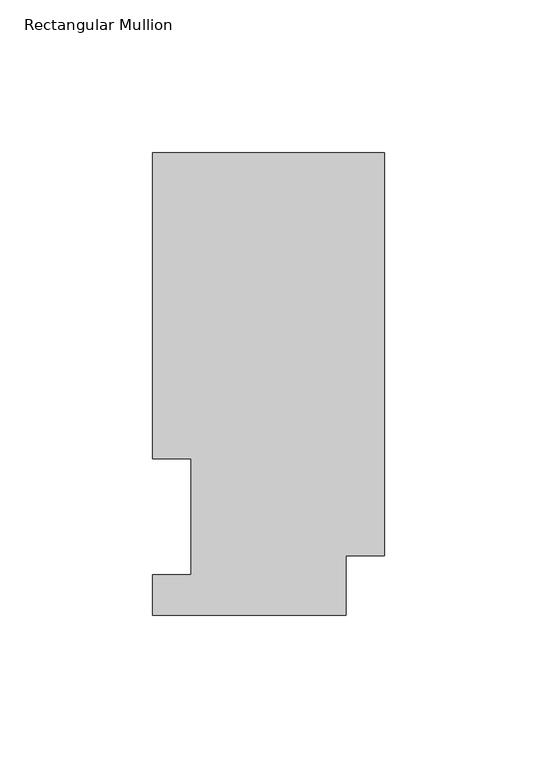
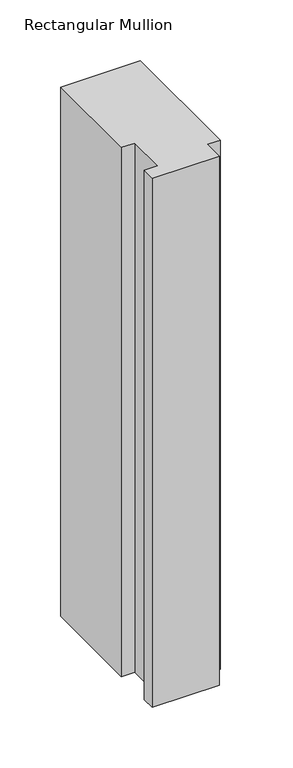
"""IFC4 building model written with IfcOpenShell, lengths in millimetres: member geometry, Rectangular Mullion."""

import ifcopenshell
import ifcopenshell.guid

model = None  # the IFC model being written
_history = None  # IfcOwnerHistory: only IFC2X3 demands one
_inside = {}  # id of a spatial element -> (the spatial element, [elements in it])
_under = {}  # id of a project, library or spatial element -> (it, [spatial elements below it])
_declared = {}  # id of a project -> (the project, [libraries it declares])
_typed = {}  # id of a type object -> (the type object, [elements of that type])
_made_of = {}  # id of a material, layer set ... -> (it, [elements and type objects made of it])


def new_model(schema):
    """Start an empty IFC model of exactly this schema.

    Asked for "IFC4X3", IfcOpenShell would pick the latest addendum, in which some entities
    have other attributes; the version numbers below select the first issue.
    IFC2X3 requires an IfcOwnerHistory on every rooted entity: one is made here for all.
    """
    global model, _history
    if schema == "IFC4X3":
        model = ifcopenshell.file(schema_version=(4, 3, 0, 0))
    else:
        model = ifcopenshell.file(schema=schema)
    _inside.clear()
    _under.clear()
    _declared.clear()
    _typed.clear()
    _made_of.clear()
    _history = None
    if model.schema == "IFC2X3":
        org = make("IfcOrganization", Name="unknown")
        user = make(
            "IfcPersonAndOrganization",
            ThePerson=make("IfcPerson", FamilyName="unknown"),
            TheOrganization=org,
        )
        app = make(
            "IfcApplication",
            ApplicationDeveloper=org,
            Version="unknown",
            ApplicationFullName="unknown",
            ApplicationIdentifier="unknown",
        )
        _history = make(
            "IfcOwnerHistory",
            OwningUser=user,
            OwningApplication=app,
            ChangeAction="ADDED",
            CreationDate=0,
        )
    return model


def make(cls, **values):
    """One entity of the class cls with the attributes given. An attribute that is None is left unset."""
    return model.create_entity(
        cls, **{name: value for name, value in values.items() if value is not None}
    )


def rooted(cls, **values):
    """An entity with a GlobalId (a new one), such as an element, a storey or a relation."""
    return make(cls, GlobalId=ifcopenshell.guid.new(), OwnerHistory=_history, **values)


def si_unit(unit_type, name, prefix=None):
    """IfcSIUnit, for example si_unit("LENGTHUNIT", "METRE", prefix="MILLI")."""
    return make("IfcSIUnit", UnitType=unit_type, Prefix=prefix, Name=name)


def assignment(units):
    """IfcUnitAssignment: the units of a project."""
    return None if units is None else make("IfcUnitAssignment", Units=units)


def point(xyz):
    """IfcCartesianPoint."""
    return None if xyz is None else make("IfcCartesianPoint", Coordinates=xyz)


def direction(xyz):
    """IfcDirection."""
    return None if xyz is None else make("IfcDirection", DirectionRatios=xyz)


def frame(location, z_axis=None, x_axis=None):
    """IfcAxis2Placement3D, a coordinate frame: its origin and axes. An axis left out is left unset."""
    return make(
        "IfcAxis2Placement3D",
        Location=point(location),
        Axis=direction(z_axis),
        RefDirection=direction(x_axis),
    )


def origin():
    """The frame at (0, 0, 0) with its axes left unset."""
    return frame((0.0, 0.0, 0.0))


def place(relative_to, where):
    """IfcLocalPlacement: puts the frame where relative to a parent placement (None: the world)."""
    return make(
        "IfcLocalPlacement", PlacementRelTo=relative_to, RelativePlacement=where
    )


def context(
    kind, dimensions, precision=None, world=None, true_north=None, identifier=None
):
    """IfcGeometricRepresentationContext, for example the 3D "Model" context."""
    return make(
        "IfcGeometricRepresentationContext",
        ContextIdentifier=identifier,
        ContextType=kind,
        CoordinateSpaceDimension=dimensions,
        Precision=precision,
        WorldCoordinateSystem=world,
        TrueNorth=true_north,
    )


def project(units=None, contexts=None):
    """IfcProject with its units and contexts."""
    return rooted(
        "IfcProject",
        Name="project",
        RepresentationContexts=contexts,
        UnitsInContext=assignment(units),
    )


def spatial(cls, under=None, at=None, **own):
    """A site, building, storey or space (cls), placed at a placement, below another one or the project."""
    s = rooted(cls, ObjectPlacement=at, **own)
    if under is not None:
        _under.setdefault(under.id(), (under, []))[1].append(s)
    return s


def polyline(points):
    """IfcPolyline through the points."""
    return make("IfcPolyline", Points=[point(p) for p in points])


def outline(outer, holes=None, kind="AREA"):
    """IfcArbitraryClosedProfileDef: a profile drawn as a closed curve; with holes, ...WithVoids."""
    if holes is None:
        return make("IfcArbitraryClosedProfileDef", ProfileType=kind, OuterCurve=outer)
    return make(
        "IfcArbitraryProfileDefWithVoids",
        ProfileType=kind,
        OuterCurve=outer,
        InnerCurves=holes,
    )


def extrude(swept, where, along, depth):
    """IfcExtrudedAreaSolid: the profile swept, set in the frame where, extruded along a direction by depth."""
    return make(
        "IfcExtrudedAreaSolid",
        SweptArea=swept,
        Position=where,
        ExtrudedDirection=direction(along),
        Depth=depth,
    )


def shape(context_of_items, identifier, shape_type, items):
    """IfcShapeRepresentation: the items that make up one representation, for example the "Body"."""
    return make(
        "IfcShapeRepresentation",
        ContextOfItems=context_of_items,
        RepresentationIdentifier=identifier,
        RepresentationType=shape_type,
        Items=items,
    )


def source(mapping_origin, context_of_items, identifier, shape_type, items):
    """IfcRepresentationMap: a shape defined once, which mapped items show again and again."""
    return make(
        "IfcRepresentationMap",
        MappingOrigin=mapping_origin,
        MappedRepresentation=shape(context_of_items, identifier, shape_type, items),
    )


def transform(
    local_origin,
    x_axis=None,
    y_axis=None,
    z_axis=None,
    scale=None,
    scale2=None,
    scale3=None,
    uniform=True,
):
    """IfcCartesianTransformationOperator3D, or its non-uniform kind. x_axis, y_axis, z_axis: its Axis1, 2, 3."""
    if uniform:
        return make(
            "IfcCartesianTransformationOperator3D",
            Axis1=direction(x_axis),
            Axis2=direction(y_axis),
            LocalOrigin=point(local_origin),
            Scale=scale,
            Axis3=direction(z_axis),
        )
    return make(
        "IfcCartesianTransformationOperator3DnonUniform",
        Axis1=direction(x_axis),
        Axis2=direction(y_axis),
        LocalOrigin=point(local_origin),
        Scale=scale,
        Axis3=direction(z_axis),
        Scale2=scale2,
        Scale3=scale3,
    )


def mapped(mapping_source, mapping_target):
    """IfcMappedItem: shows the shape of a source again, moved by a transform."""
    return make(
        "IfcMappedItem", MappingSource=mapping_source, MappingTarget=mapping_target
    )


def made_of(thing, what):
    """Note that an element or type object is made of a material, layer set ...; save() writes the relation."""
    if what is not None:
        _made_of.setdefault(what.id(), (what, []))[1].append(thing)
    return thing


def element(
    cls,
    number,
    at=None,
    inside=None,
    cuts=None,
    type_object=None,
    material=None,
    context=None,
    identifier="Body",
    shape_type=None,
    held_by="IfcProductDefinitionShape",
    body=None,
    shapes=None,
    **own,
):
    """One element of the class cls, such as IfcWall. Its Tag is "e" and its number.

    at: its placement. inside: the storey or other place that contains it. cuts: it is an
    opening in that element (IfcRelVoidsElement). A single representation is given by context,
    identifier, shape_type and body (its items); several are given by shapes. held_by: the class
    of the entity that holds the representations. save() writes the other relations.
    """
    e = rooted(cls, Tag="e%d" % number, ObjectPlacement=at, **own)
    if body is not None:
        shapes = [shape(context, identifier, shape_type, body)]
    if shapes is not None:
        e.Representation = make(held_by, Representations=shapes)
    if inside is not None:
        _inside.setdefault(inside.id(), (inside, []))[1].append(e)
    if cuts is not None:
        rooted(
            "IfcRelVoidsElement", RelatingBuildingElement=cuts, RelatedOpeningElement=e
        )
    if type_object is not None:
        _typed.setdefault(type_object.id(), (type_object, []))[1].append(e)
    return made_of(e, material)


def aggregate(whole, parts):
    """IfcRelAggregates: a whole, such as a stair, and the parts it consists of."""
    return rooted("IfcRelAggregates", RelatingObject=whole, RelatedObjects=parts)


def save(model, path):
    """Write the relations noted so far, then the file.

    IfcRelAggregates (storeys below a building ...), IfcRelContainedInSpatialStructure (elements
    in a storey), IfcRelDefinesByType, IfcRelAssociatesMaterial and IfcRelDeclares: one each for
    every whole, place, type object, material and project.
    """
    for whole, parts in _under.values():
        aggregate(whole, parts)
    for where, things in _inside.values():
        rooted(
            "IfcRelContainedInSpatialStructure",
            RelatedElements=things,
            RelatingStructure=where,
        )
    for kind, things in _typed.values():
        rooted("IfcRelDefinesByType", RelatedObjects=things, RelatingType=kind)
    for what, things in _made_of.values():
        rooted("IfcRelAssociatesMaterial", RelatedObjects=things, RelatingMaterial=what)
    for by, libraries in _declared.values():
        rooted("IfcRelDeclares", RelatingContext=by, RelatedDefinitions=libraries)
    model.write(path)


def rectangular_mullion_02cf7630(model_context):
    return source(origin(), model_context, "Body", "SweptSolid", [
        extrude(outline(polyline([(0.0, 151.7027918), (0.0, 19.5460937), (-12.7, 19.5460937), (-12.7, 0.0139918), (-76.2, 0.0139918), (-76.2, 13.1965918), (-63.5, 13.1965918), (-63.5, 51.2960938), (-76.2, 51.2960938), (-76.2, 151.7027918), (0.0, 151.7027918)])), frame((0.0, 0.0, -533.4134931), z_axis=(0.0, 0.0, 1.0), x_axis=(1.0, 0.0, 0.0)), (0.0, 0.0, 1.0), 533.4134931),
    ])


if __name__ == "__main__":
    model = new_model("IFC4")
    model_context = context("Model", 3, world=origin())
    ifc_project = project(units=[si_unit("LENGTHUNIT", "METRE", prefix="MILLI")], contexts=[model_context])
    site = spatial("IfcSite", under=ifc_project)
    building = spatial("IfcBuilding", under=site)
    placement = place(None, origin())
    rectangular_mullion_shape = rectangular_mullion_02cf7630(model_context)
    element("IfcMember", 1, ObjectType="Rectangular Mullion", at=placement, inside=building, context=model_context, shape_type="MappedRepresentation", body=[
        mapped(rectangular_mullion_shape, transform((0.0, 0.0, 0.0), x_axis=(1.0, 0.0, 0.0), y_axis=(0.0, 1.0, 0.0), z_axis=(0.0, 0.0, 1.0))),
    ])
    save(model, "model.ifc")
